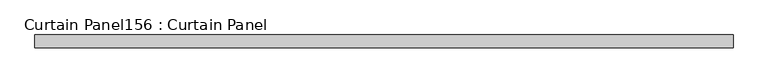
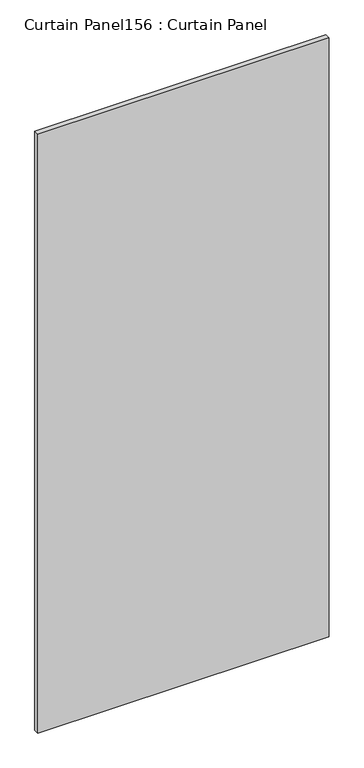
"""IFC4 building model written with IfcOpenShell, lengths in millimetres: plate geometry, Curtain Panel156 : Curtain Panel."""

from ifc_helpers import new_model, si_unit, frame, origin, place, context, project, spatial, polyline, outline, extrude, source, transform, mapped, element, save


def curtain_panel156_curtain_panel_7dfb8368(model_context):
    return source(origin(), model_context, "Body", "SweptSolid", [
        extrude(outline(polyline([(421673.4312536, 2203.7839321), (420270.2875351, 2203.7839321), (420270.2875351, 2229.1839321), (421673.4312536, 2229.1839321), (421673.4312536, 2203.7839321)])), frame((0.0, 0.0, 7019.7548754), z_axis=(0.0, 0.0, 1.0), x_axis=(1.0, 0.0, 0.0)), (0.0, 0.0, 1.0), 3048.0),
    ])


if __name__ == "__main__":
    model = new_model("IFC4")
    model_context = context("Model", 3, world=origin())
    ifc_project = project(units=[si_unit("LENGTHUNIT", "METRE", prefix="MILLI")], contexts=[model_context])
    site = spatial("IfcSite", under=ifc_project)
    building = spatial("IfcBuilding", under=site)
    placement = place(None, origin())
    curtain_panel156_curtain_panel_shape = curtain_panel156_curtain_panel_7dfb8368(model_context)
    element("IfcPlate", 1, ObjectType="Curtain Panel156 : Curtain Panel", at=placement, inside=building, context=model_context, shape_type="MappedRepresentation", body=[
        mapped(curtain_panel156_curtain_panel_shape, transform((0.0, 0.0, 0.0), x_axis=(1.0, 0.0, 0.0), y_axis=(0.0, 1.0, 0.0), z_axis=(0.0, 0.0, 1.0))),
    ])
    save(model, "model.ifc")
